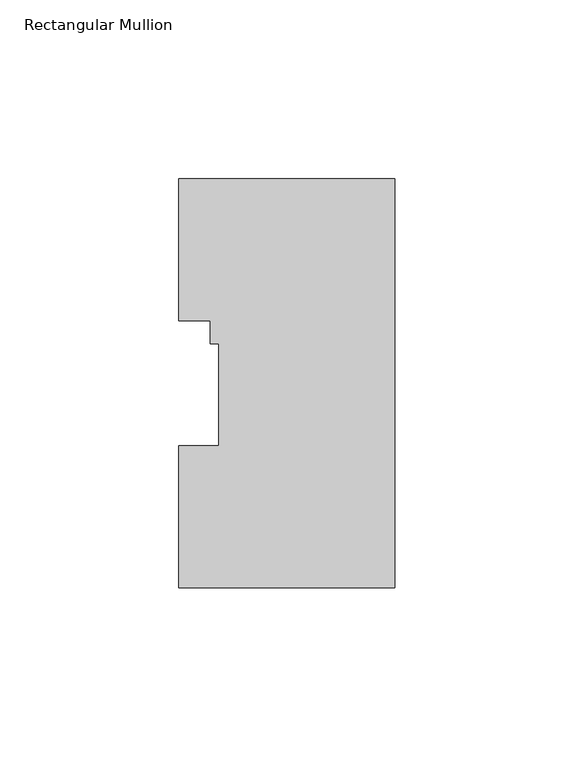
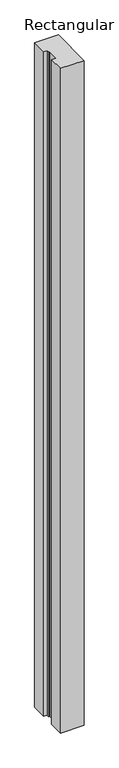
"""IFC4 building model written with IfcOpenShell, lengths in millimetres: member geometry, Rectangular Mullion."""

from ifc_helpers import new_model, si_unit, frame, origin, place, context, project, spatial, polyline, outline, extrude, source, transform, mapped, element, save


def rectangular_mullion_dace1161(model_context):
    return source(origin(), model_context, "Body", "SweptSolid", [
        extrude(outline(polyline([(-60.325, -0.03175), (-60.325, 39.64305), (-49.2125, 39.64305), (-49.2125, 68.24345), (-51.5874, 68.24345), (-51.5874, 74.59345), (-60.325, 74.59345), (-60.325, 114.26825), (0.0, 114.26825), (0.0, -0.03175), (-60.325, -0.03175)])), frame((0.0, 0.0, -1790.7), z_axis=(0.0, 0.0, 1.0), x_axis=(1.0, 0.0, 0.0)), (0.0, 0.0, 1.0), 1790.7),
    ])


if __name__ == "__main__":
    model = new_model("IFC4")
    model_context = context("Model", 3, world=origin())
    ifc_project = project(units=[si_unit("LENGTHUNIT", "METRE", prefix="MILLI")], contexts=[model_context])
    site = spatial("IfcSite", under=ifc_project)
    building = spatial("IfcBuilding", under=site)
    placement = place(None, origin())
    rectangular_mullion_shape = rectangular_mullion_dace1161(model_context)
    element("IfcMember", 1, ObjectType="Rectangular Mullion", at=placement, inside=building, context=model_context, shape_type="MappedRepresentation", body=[
        mapped(rectangular_mullion_shape, transform((0.0, 0.0, 0.0), x_axis=(1.0, 0.0, 0.0), y_axis=(0.0, 1.0, 0.0), z_axis=(0.0, 0.0, 1.0))),
    ])
    save(model, "model.ifc")
